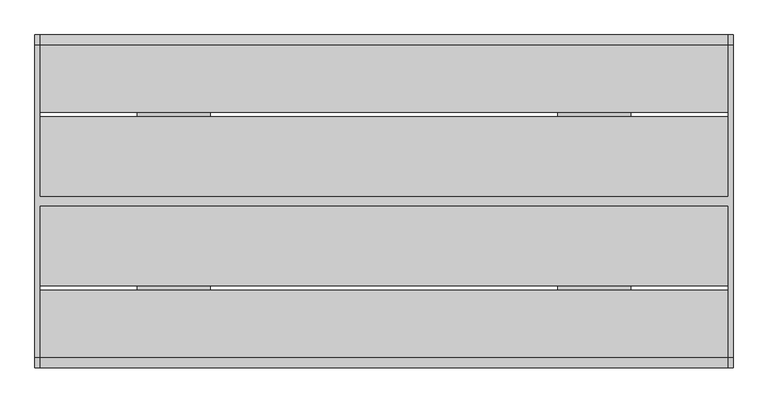
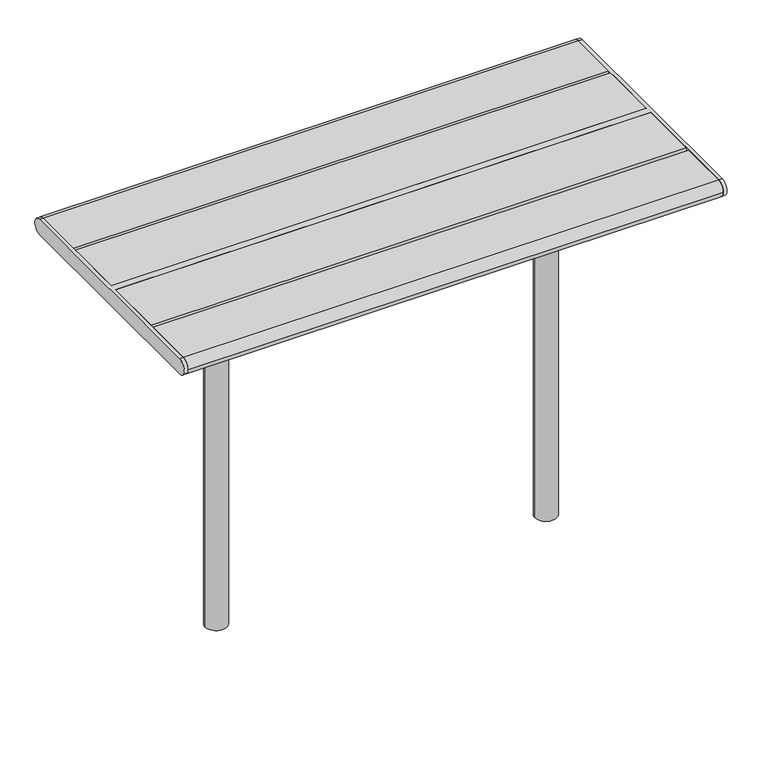
"""IFC4 building model written with IfcOpenShell, lengths in millimetres: furniture geometry."""

from ifc_helpers import new_model, si_unit, point, frame, frame_2d, origin, place, context, project, spatial, polyline, circle_curve, trimmed, segment, composite_curve, outline, extrude, source, transform, mapped, element, save
from ifc_brep_helpers import plane_surface, cylinder_surface, advanced_brep


def furniture_08c433d7(model_context):
    return source(origin(), model_context, "Body", "SolidModel", [
        advanced_brep(
        [(534.9914087, 125.0, 687.0), (534.9914087, 299.0, 687.0), (534.9914087, 299.0, 695.0), (534.9914087, -299.0, 695.0), (534.9914087, -299.0, 687.0), (534.9914087, -125.0, 687.0), (534.9914087, -125.0, 679.0), (534.9914087, 125.0, 679.0), (384.9914087, 125.0, 687.0), (384.9914087, 299.0, 687.0), (376.9914087, 299.0, 687.0), (376.9914087, 299.0, 695.0), (376.9914087, -299.0, 695.0), (376.9914087, -299.0, 687.0), (384.9914087, -299.0, 687.0), (384.9914087, -125.0, 687.0), (384.9914087, -125.0, 679.0), (384.9914087, 125.0, 679.0), (489.9914087, 0.0, 679.0), (429.9914087, 0.0, 679.0), (376.9914087, 45.0, 644.0), (376.9914087, -45.0, 644.0), (384.9914087, 45.0, 644.0), (384.9914087, -45.0, 644.0), (489.9914087, 0.0, -350.303316), (429.9914087, 0.0, -350.303316)],
        [
            (0, 1),
            (1, 2),
            (2, 3),
            (3, 4),
            (4, 5),
            (5, 6),
            (6, 7),
            (7, 0),
            (0, 8),
            (8, 9),
            (9, 1),
            (9, 10),
            (10, 11),
            (11, 2),
            (11, 12),
            (12, 3),
            (12, 13),
            (13, 14),
            (14, 4),
            (14, 15),
            (15, 5),
            (15, 16),
            (16, 6),
            (16, 17),
            (17, 7),
            (18, 19, circle_curve(frame((459.9914087, 0.0, 679.0), z_axis=(0.0, 0.0, 1.0), x_axis=(-1.0, 0.0, 0.0)), 30.0)),
            (19, 18, circle_curve(frame((459.9914087, 0.0, 679.0), z_axis=(0.0, 0.0, 1.0), x_axis=(-1.0, 0.0, 0.0)), 30.0)),
            (17, 8),
            (20, 21),
            (21, 13),
            (10, 20),
            (22, 9),
            (14, 23),
            (23, 22),
            (22, 20),
            (21, 23),
            (24, 25, circle_curve(frame((459.9914087, 0.0, -350.303316), z_axis=(0.0, 0.0, -1.0), x_axis=(-1.0, 0.0, 0.0)), 30.0)),
            (25, 24, circle_curve(frame((459.9914087, 0.0, -350.303316), z_axis=(0.0, 0.0, -1.0), x_axis=(-1.0, 0.0, 0.0)), 30.0)),
            (24, 18),
            (19, 25),
        ],
        [
            plane_surface(frame((534.9914087, 299.0, 687.0), z_axis=(1.0, 0.0, 0.0), x_axis=(0.0, -1.0, 0.0))),
            plane_surface(frame((384.9914087, 125.0, 687.0), z_axis=(0.0, 0.0, -1.0), x_axis=(1.0, 0.0, 0.0))),
            plane_surface(frame((384.9914087, 299.0, 687.0), z_axis=(0.0, 1.0, 0.0), x_axis=(1.0, 0.0, 0.0))),
            plane_surface(frame((384.9914087, 299.0, 695.0), z_axis=(0.0, 0.0, 1.0), x_axis=(1.0, 0.0, 0.0))),
            plane_surface(frame((384.9914087, -299.0, 695.0), z_axis=(0.0, -1.0, 0.0), x_axis=(1.0, 0.0, 0.0))),
            plane_surface(frame((384.9914087, -299.0, 687.0), z_axis=(0.0, 0.0, -1.0), x_axis=(1.0, 0.0, 0.0))),
            plane_surface(frame((384.9914087, -125.0, 687.0), z_axis=(0.0, -1.0, 0.0), x_axis=(1.0, 0.0, 0.0))),
            plane_surface(frame((384.9914087, -125.0, 679.0), z_axis=(0.0, 0.0, -1.0), x_axis=(1.0, 0.0, 0.0))),
            plane_surface(frame((384.9914087, 125.0, 679.0), z_axis=(0.0, 1.0, 0.0), x_axis=(1.0, 0.0, 0.0))),
            plane_surface(frame((376.9914087, 299.0, 687.0), z_axis=(-1.0, 0.0, 0.0), x_axis=(0.0, 0.9859710587294898, 0.1669163603360949))),
            plane_surface(frame((384.9914087, 299.0, 687.0), z_axis=(1.0, 0.0, 0.0), x_axis=(0.0, -0.9859710587294898, -0.1669163603360949))),
            plane_surface(frame((376.9914087, 45.0, 644.0), z_axis=(0.0, 0.1669163603360949, -0.9859710587294898), x_axis=(1.0, 0.0, 0.0))),
            plane_surface(frame((376.9914087, -299.0, 687.0), z_axis=(0.0, -0.16691636033609472, -0.9859710587294899), x_axis=(1.0, 0.0, 0.0))),
            plane_surface(frame((376.9914087, -45.0, 644.0), z_axis=(0.0, 0.0, -1.0), x_axis=(1.0, 0.0, 0.0))),
            plane_surface(frame((429.9914087, 0.0, -350.303316), z_axis=(0.0, 0.0, -1.0), x_axis=(0.0, -1.0, 0.0))),
            cylinder_surface(frame((459.9914087, 0.0, -350.303316), z_axis=(0.0, 0.0, 1.0), x_axis=(-1.0, 0.0, 0.0)), 30.0),
        ],
        [
            (0, [[1, 2, 3, 4, 5, 6, 7, 8]]),
            (1, [[9, 10, 11, -1]]),
            (2, [[-11, 12, 13, 14, -2]]),
            (3, [[-14, 15, 16, -3]]),
            (4, [[-16, 17, 18, 19, -4]]),
            (5, [[-19, 20, 21, -5]]),
            (6, [[-21, 22, 23, -6]]),
            (7, [[-23, 24, 25, -7], [26, 27]]),
            (8, [[-25, 28, -9, -8]]),
            (9, [[29, 30, -17, -15, -13, 31]]),
            (10, [[32, -10, -28, -24, -22, -20, 33, 34]]),
            (11, [[-12, -32, 35, -31]]),
            (12, [[36, -33, -18, -30]]),
            (13, [[-35, -34, -36, -29]]),
            (14, [[37, 38]]),
            (15, [[39, -27, 40, -37]]),
            (15, [[-40, -26, -39, -38]]),
        ],
    ),
        advanced_brep(
        [(-534.9914087, 125.0, 687.0), (-534.9914087, 125.0, 679.0), (-534.9914087, -125.0, 679.0), (-534.9914087, -125.0, 687.0), (-534.9914087, -299.0, 687.0), (-534.9914087, -299.0, 695.0), (-534.9914087, 299.0, 695.0), (-534.9914087, 299.0, 687.0), (-384.9914087, 299.0, 687.0), (-384.9914087, 125.0, 687.0), (-376.9914087, 299.0, 695.0), (-376.9914087, 299.0, 687.0), (-376.9914087, -299.0, 695.0), (-384.9914087, -299.0, 687.0), (-376.9914087, -299.0, 687.0), (-384.9914087, -125.0, 687.0), (-384.9914087, -125.0, 679.0), (-384.9914087, 125.0, 679.0), (-489.9914087, 0.0, 679.0), (-429.9914087, 0.0, 679.0), (-376.9914087, 45.0, 644.0), (-376.9914087, -45.0, 644.0), (-384.9914087, 45.0, 644.0), (-384.9914087, -45.0, 644.0), (-489.9914087, 0.0, -350.303316), (-429.9914087, 0.0, -350.303316)],
        [
            (0, 1),
            (1, 2),
            (2, 3),
            (3, 4),
            (4, 5),
            (5, 6),
            (6, 7),
            (7, 0),
            (7, 8),
            (8, 9),
            (9, 0),
            (6, 10),
            (10, 11),
            (11, 8),
            (5, 12),
            (12, 10),
            (4, 13),
            (13, 14),
            (14, 12),
            (3, 15),
            (15, 13),
            (2, 16),
            (16, 15),
            (1, 17),
            (17, 16),
            (18, 19, circle_curve(frame((-459.9914087, 0.0, 679.0), z_axis=(0.0, 0.0, 1.0), x_axis=(1.0, 0.0, 0.0)), 30.0)),
            (19, 18, circle_curve(frame((-459.9914087, 0.0, 679.0), z_axis=(0.0, 0.0, 1.0), x_axis=(1.0, 0.0, 0.0)), 30.0)),
            (9, 17),
            (20, 11),
            (14, 21),
            (21, 20),
            (22, 23),
            (23, 13),
            (8, 22),
            (20, 22),
            (23, 21),
            (24, 25, circle_curve(frame((-459.9914087, 0.0, -350.303316), z_axis=(0.0, 0.0, -1.0), x_axis=(1.0, 0.0, 0.0)), 30.0)),
            (25, 24, circle_curve(frame((-459.9914087, 0.0, -350.303316), z_axis=(0.0, 0.0, -1.0), x_axis=(1.0, 0.0, 0.0)), 30.0)),
            (25, 19),
            (18, 24),
        ],
        [
            plane_surface(frame((-534.9914087, 299.0, 687.0), z_axis=(-1.0, 0.0, 0.0), x_axis=(0.0, -1.0, 0.0))),
            plane_surface(frame((-384.9914087, 125.0, 687.0), z_axis=(0.0, 0.0, -1.0), x_axis=(-1.0, 0.0, 0.0))),
            plane_surface(frame((-384.9914087, 299.0, 687.0), z_axis=(0.0, 1.0, 0.0), x_axis=(-1.0, 0.0, 0.0))),
            plane_surface(frame((-384.9914087, 299.0, 695.0), z_axis=(0.0, 0.0, 1.0), x_axis=(-1.0, 0.0, 0.0))),
            plane_surface(frame((-384.9914087, -299.0, 695.0), z_axis=(0.0, -1.0, 0.0), x_axis=(-1.0, 0.0, 0.0))),
            plane_surface(frame((-384.9914087, -299.0, 687.0), z_axis=(0.0, 0.0, -1.0), x_axis=(-1.0, 0.0, 0.0))),
            plane_surface(frame((-384.9914087, -125.0, 687.0), z_axis=(0.0, -1.0, 0.0), x_axis=(-1.0, 0.0, 0.0))),
            plane_surface(frame((-384.9914087, -125.0, 679.0), z_axis=(0.0, 0.0, -1.0), x_axis=(-1.0, 0.0, 0.0))),
            plane_surface(frame((-384.9914087, 125.0, 679.0), z_axis=(0.0, 1.0, 0.0), x_axis=(-1.0, 0.0, 0.0))),
            plane_surface(frame((-376.9914087, 299.0, 687.0), z_axis=(1.0, 0.0, 0.0), x_axis=(0.0, 0.9859710587294898, 0.1669163603360949))),
            plane_surface(frame((-384.9914087, 299.0, 687.0), z_axis=(-1.0, 0.0, 0.0), x_axis=(0.0, -0.9859710587294898, -0.1669163603360949))),
            plane_surface(frame((-376.9914087, 45.0, 644.0), z_axis=(0.0, 0.1669163603360949, -0.9859710587294898), x_axis=(-1.0, 0.0, 0.0))),
            plane_surface(frame((-376.9914087, -299.0, 687.0), z_axis=(0.0, -0.16691636033609472, -0.9859710587294899), x_axis=(-1.0, 0.0, 0.0))),
            plane_surface(frame((-376.9914087, -45.0, 644.0), z_axis=(0.0, 0.0, -1.0), x_axis=(-1.0, 0.0, 0.0))),
            plane_surface(frame((-429.9914087, 0.0, -350.303316), z_axis=(0.0, 0.0, -1.0), x_axis=(0.0, -1.0, 0.0))),
            cylinder_surface(frame((-459.9914087, 0.0, -350.303316), z_axis=(0.0, 0.0, 1.0), x_axis=(1.0, 0.0, 0.0)), 30.0),
        ],
        [
            (0, [[1, 2, 3, 4, 5, 6, 7, 8]]),
            (1, [[-8, 9, 10, 11]]),
            (2, [[-7, 12, 13, 14, -9]]),
            (3, [[-6, 15, 16, -12]]),
            (4, [[-5, 17, 18, 19, -15]]),
            (5, [[-4, 20, 21, -17]]),
            (6, [[-3, 22, 23, -20]]),
            (7, [[-2, 24, 25, -22], [26, 27]]),
            (8, [[-1, -11, 28, -24]]),
            (9, [[29, -13, -16, -19, 30, 31]]),
            (10, [[32, 33, -21, -23, -25, -28, -10, 34]]),
            (11, [[-29, 35, -34, -14]]),
            (12, [[-30, -18, -33, 36]]),
            (13, [[-31, -36, -32, -35]]),
            (14, [[37, 38]]),
            (15, [[-38, 39, -26, 40]]),
            (15, [[-37, -40, -27, -39]]),
        ],
    ),
        advanced_brep(
        [(757.0, 338.5, 740.0), (757.0, -338.5, 740.0), (757.0, -338.5, 695.0), (757.0, 338.5, 695.0), (747.0, 338.5, 740.0), (747.0, 338.5, 695.0), (747.0, 10.0, 695.0), (747.0, 10.0, 740.0), (747.0, -338.5, 695.0), (747.0, -338.5, 740.0), (747.0, -10.0, 740.0), (747.0, -10.0, 695.0), (-747.0, 10.0, 740.0), (-747.0, 338.5, 740.0), (-757.0, 338.5, 740.0), (-757.0, -338.5, 740.0), (-747.0, -338.5, 740.0), (-747.0, -10.0, 740.0), (-747.0, -10.0, 695.0), (-747.0, -338.5, 695.0), (-757.0, -338.5, 695.0), (-757.0, 338.5, 695.0), (-747.0, 338.5, 695.0), (-747.0, 10.0, 695.0)],
        [
            (0, 1),
            (1, 2, circle_curve(frame((757.0, -338.5, 717.5), z_axis=(1.0, 0.0, 0.0), x_axis=(0.0, -1.0, 0.0)), 22.5)),
            (2, 3),
            (3, 0, circle_curve(frame((757.0, 338.5, 717.5), z_axis=(1.0, 0.0, 0.0), x_axis=(0.0, -1.0, 0.0)), 22.5)),
            (4, 5, circle_curve(frame((747.0, 338.5, 717.5), z_axis=(-1.0, 0.0, 0.0), x_axis=(0.0, -1.0, 0.0)), 22.5)),
            (5, 6),
            (6, 7),
            (7, 4),
            (8, 9, circle_curve(frame((747.0, -338.5, 717.5), z_axis=(-1.0, 0.0, 0.0), x_axis=(0.0, -1.0, 0.0)), 22.5)),
            (9, 10),
            (10, 11),
            (11, 8),
            (0, 4),
            (7, 12),
            (12, 13),
            (13, 14),
            (14, 15),
            (15, 16),
            (16, 17),
            (17, 10),
            (9, 1),
            (8, 2),
            (11, 18),
            (18, 19),
            (19, 20),
            (20, 21),
            (21, 22),
            (22, 23),
            (23, 6),
            (5, 3),
            (17, 18),
            (23, 12),
            (16, 19, circle_curve(frame((-747.0, -338.5, 717.5), z_axis=(1.0, 0.0, 0.0), x_axis=(0.0, -1.0, 0.0)), 22.5)),
            (22, 13, circle_curve(frame((-747.0, 338.5, 717.5), z_axis=(1.0, 0.0, 0.0), x_axis=(0.0, -1.0, 0.0)), 22.5)),
            (14, 21, circle_curve(frame((-757.0, 338.5, 717.5), z_axis=(-1.0, 0.0, 0.0), x_axis=(0.0, -1.0, 0.0)), 22.5)),
            (20, 15, circle_curve(frame((-757.0, -338.5, 717.5), z_axis=(-1.0, 0.0, 0.0), x_axis=(0.0, -1.0, 0.0)), 22.5)),
        ],
        [
            plane_surface(frame((757.0, -338.5, 740.0), z_axis=(1.0, 0.0, 0.0), x_axis=(0.0, -1.0, 0.0))),
            plane_surface(frame((747.0, -338.5, 740.0), z_axis=(-1.0, 0.0, 0.0), x_axis=(0.0, 1.0, 0.0))),
            plane_surface(frame((757.0, 338.5, 740.0), z_axis=(0.0, 0.0, 1.0), x_axis=(-1.0, 0.0, 0.0))),
            cylinder_surface(frame((747.0, -338.5, 717.5), z_axis=(1.0, 0.0, 0.0), x_axis=(0.0, -1.0, 0.0)), 22.5),
            plane_surface(frame((757.0, -338.5, 695.0), z_axis=(0.0, 0.0, -1.0), x_axis=(-1.0, 0.0, 0.0))),
            cylinder_surface(frame((747.0, 338.5, 717.5), z_axis=(1.0, 0.0, 0.0), x_axis=(0.0, -1.0, 0.0)), 22.5),
            plane_surface(frame((747.0, -10.0, 740.0), z_axis=(0.0, -1.0, 0.0), x_axis=(-1.0, 0.0, 0.0))),
            plane_surface(frame((747.0, 10.0, 695.0), z_axis=(0.0, 1.0, 0.0), x_axis=(-1.0, 0.0, 0.0))),
            plane_surface(frame((-747.0, -338.5, 740.0), z_axis=(1.0, 0.0, 0.0), x_axis=(0.0, -1.0, 0.0))),
            plane_surface(frame((-757.0, -338.5, 740.0), z_axis=(-1.0, 0.0, 0.0), x_axis=(0.0, 1.0, 0.0))),
            cylinder_surface(frame((-757.0, -338.5, 717.5), z_axis=(1.0, 0.0, 0.0), x_axis=(0.0, -1.0, 0.0)), 22.5),
            cylinder_surface(frame((-757.0, 338.5, 717.5), z_axis=(1.0, 0.0, 0.0), x_axis=(0.0, -1.0, 0.0)), 22.5),
        ],
        [
            (0, [[1, 2, 3, 4]]),
            (1, [[5, 6, 7, 8]]),
            (1, [[9, 10, 11, 12]]),
            (2, [[-1, 13, -8, 14, 15, 16, 17, 18, 19, 20, -10, 21]]),
            (3, [[-2, -21, -9, 22]]),
            (4, [[-3, -22, -12, 23, 24, 25, 26, 27, 28, 29, -6, 30]]),
            (5, [[-4, -30, -5, -13]]),
            (6, [[-20, 31, -23, -11]]),
            (7, [[-29, 32, -14, -7]]),
            (8, [[33, -24, -31, -19]]),
            (8, [[34, -15, -32, -28]]),
            (9, [[35, -26, 36, -17]]),
            (10, [[-33, -18, -36, -25]]),
            (11, [[-34, -27, -35, -16]]),
        ],
    ),
        extrude(outline(composite_curve([segment(trimmed(circle_curve(frame_2d((338.5, 717.5)), 22.5), [point((338.5, 740.0))], [point((338.5, 695.0))], False, "CARTESIAN"), True, "CONTINUOUS"), segment(polyline([(338.5, 695.0), (193.0, 695.0), (193.0, 740.0), (338.5, 740.0)]), True, "CONTINUOUS")], self_intersect=False)), frame((-747.0, 0.0, 0.0), z_axis=(1.0, 0.0, 0.0), x_axis=(0.0, 1.0, 0.0)), (0.0, 0.0, 1.0), 1494.0),
        extrude(outline(composite_curve([segment(polyline([(-193.0, 695.0), (-338.5, 695.0)]), True, "CONTINUOUS"), segment(trimmed(circle_curve(frame_2d((-338.5, 717.5)), 22.5), [point((-338.5, 695.0))], [point((-361.0, 717.5))], False, "CARTESIAN"), True, "CONTINUOUS"), segment(trimmed(circle_curve(frame_2d((-338.5, 717.5)), 22.5), [point((-361.0, 717.5))], [point((-338.5, 740.0))], False, "CARTESIAN"), True, "CONTINUOUS"), segment(polyline([(-338.5, 740.0), (-193.0, 740.0), (-193.0, 695.0)]), True, "CONTINUOUS")], self_intersect=False)), frame((-747.0, 0.0, 0.0), z_axis=(1.0, 0.0, 0.0), x_axis=(0.0, 1.0, 0.0)), (0.0, 0.0, 1.0), 1494.0),
        extrude(outline(polyline([(747.0, 183.0), (747.0, 10.0), (-747.0, 10.0), (-747.0, 183.0), (747.0, 183.0)])), frame((0.0, 0.0, 695.0), z_axis=(0.0, 0.0, 1.0), x_axis=(1.0, 0.0, 0.0)), (0.0, 0.0, 1.0), 45.0),
        extrude(outline(polyline([(747.0, -10.0), (747.0, -183.0), (-747.0, -183.0), (-747.0, -10.0), (747.0, -10.0)])), frame((0.0, 0.0, 695.0), z_axis=(0.0, 0.0, 1.0), x_axis=(1.0, 0.0, 0.0)), (0.0, 0.0, 1.0), 45.0),
    ])


if __name__ == "__main__":
    model = new_model("IFC4")
    model_context = context("Model", 3, world=origin())
    ifc_project = project(units=[si_unit("LENGTHUNIT", "METRE", prefix="MILLI")], contexts=[model_context])
    site = spatial("IfcSite", under=ifc_project)
    building = spatial("IfcBuilding", under=site)
    placement = place(None, origin())
    furniture_shape = furniture_08c433d7(model_context)
    element("IfcFurniture", 1, at=placement, inside=building, context=model_context, shape_type="MappedRepresentation", body=[
        mapped(furniture_shape, transform((0.0, 0.0, 0.0), x_axis=(1.0, 0.0, 0.0), y_axis=(0.0, 1.0, 0.0), z_axis=(0.0, 0.0, 1.0))),
    ])
    save(model, "model.ifc")
